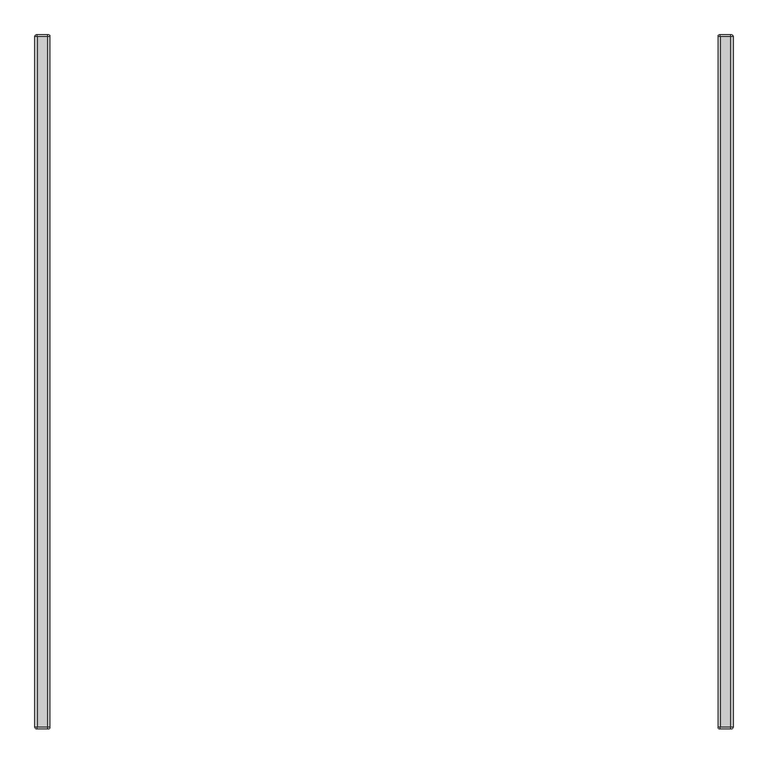
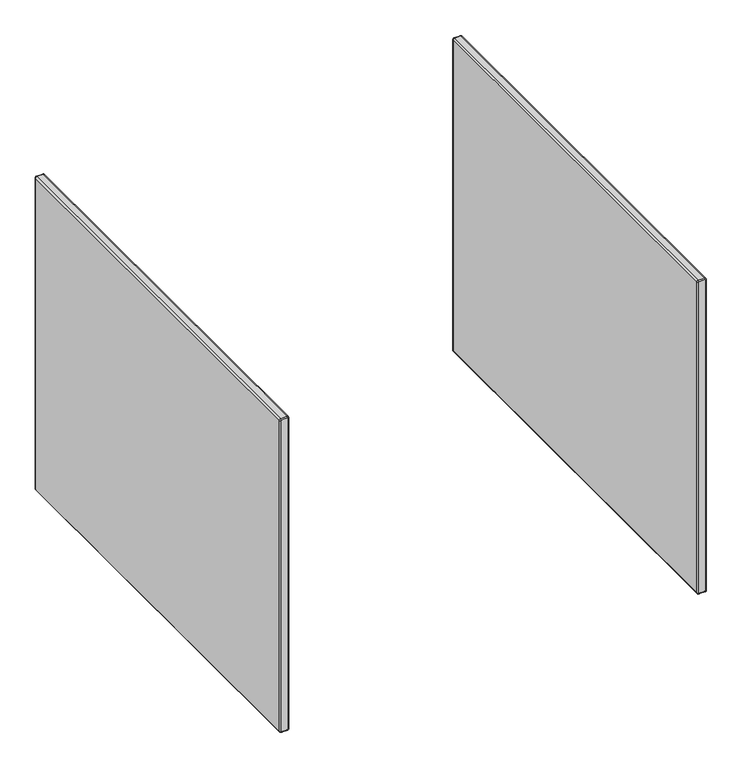
"""IFC4 building model written with IfcOpenShell, lengths in millimetres: furniture geometry."""

from ifc_helpers import new_model, si_unit, point, frame, origin, place, context, project, spatial, circle_curve, ellipse_curve, trimmed, source, transform, mapped, element, save
from ifc_brep_helpers import plane_surface, cylinder_surface, revolved_surface, advanced_brep


def furniture_b7c9a870(model_context):
    return source(origin(), model_context, "Body", "AdvancedBrep", [
        advanced_brep(
        [(34.5968799, -2.2152498, 1456.0312321), (36.5812549, -2.2152498, 1454.0468571), (36.5812549, -2.2152498, 5.953125), (34.5968799, -2.2152498, 3.96875), (6.0495593, -2.2152498, 3.96875), (4.01875, -2.2152498, 5.9995593), (4.01875, -2.2152498, 1454.0468571), (6.003125, -2.2152498, 1456.0312321), (40.5500049, -6.1839998, 1454.0468571), (34.5968799, -6.1839998, 1459.9999821), (6.003125, -6.1839998, 1459.9999821), (0.05, -6.1839998, 1454.0468571), (0.05, -6.1839998, 5.9995593), (6.0495593, -6.1839998, 0.0), (34.5968799, -6.1839998, 0.0), (40.5500049, -6.1839998, 5.953125), (36.5812549, -1870.15266, 1454.0468571), (40.5500049, -1866.18391, 1454.0468571), (34.5968799, -1866.18391, 1459.9999821), (34.5968799, -1870.15266, 1456.0312321), (6.003125, -1866.18391, 1459.9999821), (6.003125, -1870.15266, 1456.0312321), (0.05, -1866.18391, 1454.0468571), (4.01875, -1870.15266, 1454.0468571), (0.05, -1866.18391, 5.9995593), (4.01875, -1870.15266, 5.9995593), (6.0495593, -1866.18391, 0.0), (6.0495593, -1870.15266, 3.96875), (34.5968799, -1866.18391, 0.0), (34.5968799, -1870.15266, 3.96875), (40.5500049, -1866.18391, 5.953125), (36.5812549, -1870.15266, 5.953125)],
        [
            (0, 1, circle_curve(frame((34.5968799, -2.2152498, 1454.0468571), z_axis=(0.0, 1.0, 0.0), x_axis=(1.0, 0.0, 0.0)), 1.984375)),
            (1, 2),
            (2, 3, circle_curve(frame((34.5968799, -2.2152498, 5.953125), z_axis=(0.0, 1.0, 0.0), x_axis=(0.0, 0.0, -1.0)), 1.984375)),
            (3, 4),
            (4, 5, circle_curve(frame((6.0495593, -2.2152498, 5.9995593), z_axis=(0.0, 1.0, 0.0), x_axis=(-1.0, 0.0, 0.0)), 2.0308093)),
            (5, 6),
            (6, 7, circle_curve(frame((6.003125, -2.2152498, 1454.0468571), z_axis=(0.0, 1.0, 0.0), x_axis=(0.0, 0.0, 1.0)), 1.984375)),
            (7, 0),
            (8, 1, circle_curve(frame((36.5812549, -6.1839998, 1454.0468571), z_axis=(0.0, 0.0, 1.0), x_axis=(-1.0, 0.0, 0.0)), 3.96875)),
            (0, 9, circle_curve(frame((34.5968799, -6.1839998, 1456.0312321), z_axis=(1.0, 0.0, 0.0), x_axis=(0.0, 0.0, -1.0)), 3.96875)),
            (9, 8, circle_curve(frame((34.5968799, -6.1839998, 1454.0468571), z_axis=(0.0, 1.0, 0.0), x_axis=(1.0, 0.0, 0.0)), 5.953125)),
            (7, 10, circle_curve(frame((6.003125, -6.1839998, 1456.0312321), z_axis=(1.0, 0.0, 0.0), x_axis=(0.0, 0.0, -1.0)), 3.96875)),
            (10, 9),
            (6, 11, circle_curve(frame((4.01875, -6.1839998, 1454.0468571), z_axis=(0.0, 0.0, 1.0), x_axis=(1.0, 0.0, 0.0)), 3.96875)),
            (11, 10, circle_curve(frame((6.003125, -6.1839998, 1454.0468571), z_axis=(0.0, 1.0, 0.0), x_axis=(0.0, 0.0, 1.0)), 5.953125)),
            (5, 12, circle_curve(frame((4.01875, -6.1839998, 5.9995593), z_axis=(0.0, 0.0, 1.0), x_axis=(1.0, 0.0, 0.0)), 3.96875)),
            (12, 11),
            (4, 13, circle_curve(frame((6.0495593, -6.1839998, 3.96875), z_axis=(-1.0, 0.0, 0.0), x_axis=(0.0, 0.0, 1.0)), 3.96875)),
            (13, 12, circle_curve(frame((6.0495593, -6.1839998, 5.9995593), z_axis=(0.0, 1.0, 0.0), x_axis=(-1.0, 0.0, 0.0)), 5.9995593)),
            (3, 14, circle_curve(frame((34.5968799, -6.1839998, 3.96875), z_axis=(-1.0, 0.0, 0.0), x_axis=(0.0, 0.0, 1.0)), 3.96875)),
            (14, 13),
            (2, 15, circle_curve(frame((36.5812549, -6.1839998, 5.953125), z_axis=(0.0, 0.0, -1.0), x_axis=(-1.0, 0.0, 0.0)), 3.96875)),
            (15, 14, circle_curve(frame((34.5968799, -6.1839998, 5.953125), z_axis=(0.0, 1.0, 0.0), x_axis=(0.0, 0.0, -1.0)), 5.953125)),
            (8, 15),
            (16, 17, circle_curve(frame((36.5812549, -1866.18391, 1454.0468571), z_axis=(0.0, 0.0, 1.0), x_axis=(-1.0, 0.0, 0.0)), 3.96875)),
            (17, 18, circle_curve(frame((34.5968799, -1866.18391, 1454.0468571), z_axis=(0.0, -1.0, 0.0), x_axis=(1.0, 0.0, 0.0)), 5.953125)),
            (18, 19, circle_curve(frame((34.5968799, -1866.18391, 1456.0312321), z_axis=(1.0, 0.0, 0.0), x_axis=(0.0, 0.0, -1.0)), 3.96875)),
            (19, 16, circle_curve(frame((34.5968799, -1870.15266, 1454.0468571), z_axis=(0.0, 1.0, 0.0), x_axis=(1.0, 0.0, 0.0)), 1.984375)),
            (18, 20),
            (20, 21, circle_curve(frame((6.003125, -1866.18391, 1456.0312321), z_axis=(1.0, 0.0, 0.0), x_axis=(0.0, 0.0, -1.0)), 3.96875)),
            (21, 19),
            (20, 22, circle_curve(frame((6.003125, -1866.18391, 1454.0468571), z_axis=(0.0, -1.0, 0.0), x_axis=(0.0, 0.0, 1.0)), 5.953125)),
            (22, 23, circle_curve(frame((4.01875, -1866.18391, 1454.0468571), z_axis=(0.0, 0.0, 1.0), x_axis=(1.0, 0.0, 0.0)), 3.96875)),
            (23, 21, circle_curve(frame((6.003125, -1870.15266, 1454.0468571), z_axis=(0.0, 1.0, 0.0), x_axis=(0.0, 0.0, 1.0)), 1.984375)),
            (22, 24),
            (24, 25, circle_curve(frame((4.01875, -1866.18391, 5.9995593), z_axis=(0.0, 0.0, 1.0), x_axis=(1.0, 0.0, 0.0)), 3.96875)),
            (25, 23),
            (24, 26, circle_curve(frame((6.0495593, -1866.18391, 5.9995593), z_axis=(0.0, -1.0, 0.0), x_axis=(-1.0, 0.0, 0.0)), 5.9995593)),
            (26, 27, circle_curve(frame((6.0495593, -1866.18391, 3.96875), z_axis=(-1.0, 0.0, 0.0), x_axis=(0.0, 0.0, 1.0)), 3.96875)),
            (27, 25, circle_curve(frame((6.0495593, -1870.15266, 5.9995593), z_axis=(0.0, 1.0, 0.0), x_axis=(-1.0, 0.0, 0.0)), 2.0308093)),
            (26, 28),
            (28, 29, circle_curve(frame((34.5968799, -1866.18391, 3.96875), z_axis=(-1.0, 0.0, 0.0), x_axis=(0.0, 0.0, 1.0)), 3.96875)),
            (29, 27),
            (28, 30, circle_curve(frame((34.5968799, -1866.18391, 5.953125), z_axis=(0.0, -1.0, 0.0), x_axis=(0.0, 0.0, -1.0)), 5.953125)),
            (30, 31, circle_curve(frame((36.5812549, -1866.18391, 5.953125), z_axis=(0.0, 0.0, -1.0), x_axis=(-1.0, 0.0, 0.0)), 3.96875)),
            (31, 29, circle_curve(frame((34.5968799, -1870.15266, 5.953125), z_axis=(0.0, 1.0, 0.0), x_axis=(0.0, 0.0, -1.0)), 1.984375)),
            (16, 31),
            (30, 17),
            (20, 10),
            (11, 22),
            (12, 24),
            (13, 26),
            (14, 28),
            (15, 30),
            (8, 17),
            (9, 18),
        ],
        [
            plane_surface(frame((4.01875, -2.2152498, 5.9995593), z_axis=(0.0, 1.0, 0.0), x_axis=(0.0, 0.0, 1.0))),
            revolved_surface(trimmed(ellipse_curve(frame((36.5812549, -6.1839998, 1454.0468571), z_axis=(0.0, 0.0, -1.0), x_axis=(-1.0, 0.0, 0.0)), 3.96875, 3.96875), [point((36.5812549, -2.2152498, 1454.0468571))], [point((40.5500049, -6.1839998, 1454.0468571))], True, "CARTESIAN"), (34.5968799, -6.1839998, 1454.0468571), (0.0, -1.0, 0.0)),
            cylinder_surface(frame((34.5968799, -6.1839998, 1456.0312321), z_axis=(1.0, 0.0, 0.0), x_axis=(0.0, 0.0, -1.0)), 3.96875),
            revolved_surface(trimmed(ellipse_curve(frame((6.003125, -6.1839998, 1456.0312321), z_axis=(1.0, 0.0, 0.0), x_axis=(0.0, 0.0, -1.0)), 3.96875, 3.96875), [point((6.003125, -2.2152498, 1456.0312321))], [point((6.003125, -6.1839998, 1459.9999821))], True, "CARTESIAN"), (6.003125, -6.1839998, 1454.0468571), (0.0, -1.0, 0.0)),
            cylinder_surface(frame((4.01875, -6.1839998, 1454.0468571), z_axis=(0.0, 0.0, 1.0), x_axis=(1.0, 0.0, 0.0)), 3.96875),
            revolved_surface(trimmed(ellipse_curve(frame((4.01875, -6.1839998, 5.9995593), z_axis=(0.0, 0.0, 1.0), x_axis=(1.0, 0.0, 0.0)), 3.96875, 3.96875), [point((4.01875, -2.2152498, 5.9995593))], [point((0.05, -6.1839998, 5.9995593))], True, "CARTESIAN"), (6.0495593, -6.1839998, 5.9995593), (0.0, -1.0, 0.0)),
            cylinder_surface(frame((6.0495593, -6.1839998, 3.96875), z_axis=(-1.0, 0.0, 0.0), x_axis=(0.0, 0.0, 1.0)), 3.96875),
            revolved_surface(trimmed(ellipse_curve(frame((34.5968799, -6.1839998, 3.96875), z_axis=(-1.0, 0.0, 0.0), x_axis=(0.0, 0.0, 1.0)), 3.96875, 3.96875), [point((34.5968799, -2.2152498, 3.96875))], [point((34.5968799, -6.1839998, 0.0))], True, "CARTESIAN"), (34.5968799, -6.1839998, 5.953125), (0.0, -1.0, 0.0)),
            cylinder_surface(frame((36.5812549, -6.1839998, 5.953125), z_axis=(0.0, 0.0, -1.0), x_axis=(-1.0, 0.0, 0.0)), 3.96875),
            revolved_surface(trimmed(ellipse_curve(frame((36.5812549, -1866.18391, 1454.0468571), z_axis=(0.0, 0.0, -1.0), x_axis=(-1.0, 0.0, 0.0)), 3.96875, 3.96875), [point((40.5500049, -1866.18391, 1454.0468571))], [point((36.5812549, -1870.15266, 1454.0468571))], True, "CARTESIAN"), (34.5968799, -1866.18391, 1454.0468571), (0.0, -1.0, 0.0)),
            cylinder_surface(frame((34.5968799, -1866.18391, 1456.0312321), z_axis=(1.0, 0.0, 0.0), x_axis=(0.0, 0.0, -1.0)), 3.96875),
            revolved_surface(trimmed(ellipse_curve(frame((6.003125, -1866.18391, 1456.0312321), z_axis=(1.0, 0.0, 0.0), x_axis=(0.0, 0.0, -1.0)), 3.96875, 3.96875), [point((6.003125, -1866.18391, 1459.9999821))], [point((6.003125, -1870.15266, 1456.0312321))], True, "CARTESIAN"), (6.003125, -1866.18391, 1454.0468571), (0.0, -1.0, 0.0)),
            cylinder_surface(frame((4.01875, -1866.18391, 1454.0468571), z_axis=(0.0, 0.0, 1.0), x_axis=(1.0, 0.0, 0.0)), 3.96875),
            revolved_surface(trimmed(ellipse_curve(frame((4.01875, -1866.18391, 5.9995593), z_axis=(0.0, 0.0, 1.0), x_axis=(1.0, 0.0, 0.0)), 3.96875, 3.96875), [point((0.05, -1866.18391, 5.9995593))], [point((4.01875, -1870.15266, 5.9995593))], True, "CARTESIAN"), (6.0495593, -1866.18391, 5.9995593), (0.0, -1.0, 0.0)),
            cylinder_surface(frame((6.0495593, -1866.18391, 3.96875), z_axis=(-1.0, 0.0, 0.0), x_axis=(0.0, 0.0, 1.0)), 3.96875),
            revolved_surface(trimmed(ellipse_curve(frame((34.5968799, -1866.18391, 3.96875), z_axis=(-1.0, 0.0, 0.0), x_axis=(0.0, 0.0, 1.0)), 3.96875, 3.96875), [point((34.5968799, -1866.18391, 0.0))], [point((34.5968799, -1870.15266, 3.96875))], True, "CARTESIAN"), (34.5968799, -1866.18391, 5.953125), (0.0, -1.0, 0.0)),
            cylinder_surface(frame((36.5812549, -1866.18391, 5.953125), z_axis=(0.0, 0.0, -1.0), x_axis=(-1.0, 0.0, 0.0)), 3.96875),
            cylinder_surface(frame((6.003125, -6.1839998, 1454.0468571), z_axis=(0.0, -1.0, 0.0), x_axis=(1.0, 0.0, 0.0)), 5.953125),
            plane_surface(frame((0.05, -1866.18391, 1454.0468571), z_axis=(-1.0, 0.0, 0.0), x_axis=(0.0, 1.0, 0.0))),
            cylinder_surface(frame((6.0495593, -6.1839998, 5.9995593), z_axis=(0.0, -1.0, 0.0), x_axis=(1.0, 0.0, 0.0)), 5.9995593),
            plane_surface(frame((6.0495593, -1866.18391, 0.0), z_axis=(0.0, 0.0, -1.0), x_axis=(0.0, 1.0, 0.0))),
            cylinder_surface(frame((34.5968799, -6.1839998, 5.953125), z_axis=(0.0, -1.0, 0.0), x_axis=(1.0, 0.0, 0.0)), 5.953125),
            plane_surface(frame((40.5500049, -1866.18391, 5.953125), z_axis=(1.0, 0.0, 0.0), x_axis=(0.0, 1.0, 0.0))),
            cylinder_surface(frame((34.5968799, -6.1839998, 1454.0468571), z_axis=(0.0, -1.0, 0.0), x_axis=(1.0, 0.0, 0.0)), 5.953125),
            plane_surface(frame((34.5968799, -1866.18391, 1459.9999821), z_axis=(0.0, 0.0, 1.0), x_axis=(0.0, 1.0, 0.0))),
            plane_surface(frame((4.01875, -1870.15266, 5.9995593), z_axis=(0.0, -1.0, 0.0), x_axis=(0.0, 0.0, -1.0))),
        ],
        [
            (0, [[1, 2, 3, 4, 5, 6, 7, 8]]),
            (1, [[9, -1, 10, 11]]),
            (2, [[-10, -8, 12, 13]]),
            (3, [[-12, -7, 14, 15]]),
            (4, [[-14, -6, 16, 17]]),
            (5, [[-16, -5, 18, 19]]),
            (6, [[-18, -4, 20, 21]]),
            (7, [[-20, -3, 22, 23]]),
            (8, [[-9, 24, -22, -2]]),
            (9, [[25, 26, 27, 28]]),
            (10, [[-27, 29, 30, 31]]),
            (11, [[-30, 32, 33, 34]]),
            (12, [[-33, 35, 36, 37]]),
            (13, [[-36, 38, 39, 40]]),
            (14, [[-39, 41, 42, 43]]),
            (15, [[-42, 44, 45, 46]]),
            (16, [[-25, 47, -45, 48]]),
            (17, [[49, -15, 50, -32]]),
            (18, [[-50, -17, 51, -35]]),
            (19, [[-51, -19, 52, -38]]),
            (20, [[-52, -21, 53, -41]]),
            (21, [[-53, -23, 54, -44]]),
            (22, [[-54, -24, 55, -48]]),
            (23, [[-55, -11, 56, -26]]),
            (24, [[-49, -29, -56, -13]]),
            (25, [[-28, -31, -34, -37, -40, -43, -46, -47]]),
        ],
    ),
        advanced_brep(
        [(1875.9813255, -1870.15266, 1454.0468571), (1879.9500755, -1866.18391, 1454.0468571), (1873.9969505, -1866.18391, 1459.9999821), (1873.9969505, -1870.15266, 1456.0312321), (1845.4031956, -1866.18391, 1459.9999821), (1845.4031956, -1870.15266, 1456.0312321), (1839.4500706, -1866.18391, 1454.0468571), (1843.4188206, -1870.15266, 1454.0468571), (1839.4500706, -1866.18391, 5.9995593), (1843.4188206, -1870.15266, 5.9995593), (1845.4496299, -1866.18391, 0.0), (1845.4496299, -1870.15266, 3.96875), (1873.9969505, -1866.18391, 0.0), (1873.9969505, -1870.15266, 3.96875), (1879.9500755, -1866.18391, 5.953125), (1875.9813255, -1870.15266, 5.953125), (1879.9500755, -6.1839998, 1454.0468571), (1875.9813255, -2.2152498, 1454.0468571), (1873.9969505, -2.2152498, 1456.0312321), (1873.9969505, -6.1839998, 1459.9999821), (1845.4031956, -2.2152498, 1456.0312321), (1845.4031956, -6.1839998, 1459.9999821), (1843.4188206, -2.2152498, 1454.0468571), (1839.4500706, -6.1839998, 1454.0468571), (1843.4188206, -2.2152498, 5.9995593), (1839.4500706, -6.1839998, 5.9995593), (1845.4496299, -2.2152498, 3.96875), (1845.4496299, -6.1839998, 0.0), (1873.9969505, -2.2152498, 3.96875), (1873.9969505, -6.1839998, 0.0), (1875.9813255, -2.2152498, 5.953125), (1879.9500755, -6.1839998, 5.953125)],
        [
            (0, 1, circle_curve(frame((1875.9813255, -1866.18391, 1454.0468571), z_axis=(0.0, 0.0, 1.0), x_axis=(-1.0, 0.0, 0.0)), 3.96875)),
            (1, 2, circle_curve(frame((1873.9969505, -1866.18391, 1454.0468571), z_axis=(0.0, -1.0, 0.0), x_axis=(1.0, 0.0, 0.0)), 5.953125)),
            (2, 3, circle_curve(frame((1873.9969505, -1866.18391, 1456.0312321), z_axis=(1.0, 0.0, 0.0), x_axis=(0.0, 0.0, -1.0)), 3.96875)),
            (3, 0, circle_curve(frame((1873.9969505, -1870.15266, 1454.0468571), z_axis=(0.0, 1.0, 0.0), x_axis=(1.0, 0.0, 0.0)), 1.984375)),
            (2, 4),
            (4, 5, circle_curve(frame((1845.4031956, -1866.18391, 1456.0312321), z_axis=(1.0, 0.0, 0.0), x_axis=(0.0, 0.0, -1.0)), 3.96875)),
            (5, 3),
            (4, 6, circle_curve(frame((1845.4031956, -1866.18391, 1454.0468571), z_axis=(0.0, -1.0, 0.0), x_axis=(0.0, 0.0, 1.0)), 5.953125)),
            (6, 7, circle_curve(frame((1843.4188206, -1866.18391, 1454.0468571), z_axis=(0.0, 0.0, 1.0), x_axis=(1.0, 0.0, 0.0)), 3.96875)),
            (7, 5, circle_curve(frame((1845.4031956, -1870.15266, 1454.0468571), z_axis=(0.0, 1.0, 0.0), x_axis=(0.0, 0.0, 1.0)), 1.984375)),
            (6, 8),
            (8, 9, circle_curve(frame((1843.4188206, -1866.18391, 5.9995593), z_axis=(0.0, 0.0, 1.0), x_axis=(1.0, 0.0, 0.0)), 3.96875)),
            (9, 7),
            (8, 10, circle_curve(frame((1845.4496299, -1866.18391, 5.9995593), z_axis=(0.0, -1.0, 0.0), x_axis=(-1.0, 0.0, 0.0)), 5.9995593)),
            (10, 11, circle_curve(frame((1845.4496299, -1866.18391, 3.96875), z_axis=(-1.0, 0.0, 0.0), x_axis=(0.0, 0.0, 1.0)), 3.96875)),
            (11, 9, circle_curve(frame((1845.4496299, -1870.15266, 5.9995593), z_axis=(0.0, 1.0, 0.0), x_axis=(-1.0, 0.0, 0.0)), 2.0308093)),
            (10, 12),
            (12, 13, circle_curve(frame((1873.9969505, -1866.18391, 3.96875), z_axis=(-1.0, 0.0, 0.0), x_axis=(0.0, 0.0, 1.0)), 3.96875)),
            (13, 11),
            (12, 14, circle_curve(frame((1873.9969505, -1866.18391, 5.953125), z_axis=(0.0, -1.0, 0.0), x_axis=(0.0, 0.0, -1.0)), 5.953125)),
            (14, 15, circle_curve(frame((1875.9813255, -1866.18391, 5.953125), z_axis=(0.0, 0.0, -1.0), x_axis=(-1.0, 0.0, 0.0)), 3.96875)),
            (15, 13, circle_curve(frame((1873.9969505, -1870.15266, 5.953125), z_axis=(0.0, 1.0, 0.0), x_axis=(0.0, 0.0, -1.0)), 1.984375)),
            (0, 15),
            (14, 1),
            (16, 17, circle_curve(frame((1875.9813255, -6.1839998, 1454.0468571), z_axis=(0.0, 0.0, 1.0), x_axis=(-1.0, 0.0, 0.0)), 3.96875)),
            (17, 18, circle_curve(frame((1873.9969505, -2.2152498, 1454.0468571), z_axis=(0.0, -1.0, 0.0), x_axis=(1.0, 0.0, 0.0)), 1.984375)),
            (18, 19, circle_curve(frame((1873.9969505, -6.1839998, 1456.0312321), z_axis=(1.0, 0.0, 0.0), x_axis=(0.0, 0.0, -1.0)), 3.96875)),
            (19, 16, circle_curve(frame((1873.9969505, -6.1839998, 1454.0468571), z_axis=(0.0, 1.0, 0.0), x_axis=(1.0, 0.0, 0.0)), 5.953125)),
            (18, 20),
            (20, 21, circle_curve(frame((1845.4031956, -6.1839998, 1456.0312321), z_axis=(1.0, 0.0, 0.0), x_axis=(0.0, 0.0, -1.0)), 3.96875)),
            (21, 19),
            (20, 22, circle_curve(frame((1845.4031956, -2.2152498, 1454.0468571), z_axis=(0.0, -1.0, 0.0), x_axis=(0.0, 0.0, 1.0)), 1.984375)),
            (22, 23, circle_curve(frame((1843.4188206, -6.1839998, 1454.0468571), z_axis=(0.0, 0.0, 1.0), x_axis=(1.0, 0.0, 0.0)), 3.96875)),
            (23, 21, circle_curve(frame((1845.4031956, -6.1839998, 1454.0468571), z_axis=(0.0, 1.0, 0.0), x_axis=(0.0, 0.0, 1.0)), 5.953125)),
            (22, 24),
            (24, 25, circle_curve(frame((1843.4188206, -6.1839998, 5.9995593), z_axis=(0.0, 0.0, 1.0), x_axis=(1.0, 0.0, 0.0)), 3.96875)),
            (25, 23),
            (24, 26, circle_curve(frame((1845.4496299, -2.2152498, 5.9995593), z_axis=(0.0, -1.0, 0.0), x_axis=(-1.0, 0.0, 0.0)), 2.0308093)),
            (26, 27, circle_curve(frame((1845.4496299, -6.1839998, 3.96875), z_axis=(-1.0, 0.0, 0.0), x_axis=(0.0, 0.0, 1.0)), 3.96875)),
            (27, 25, circle_curve(frame((1845.4496299, -6.1839998, 5.9995593), z_axis=(0.0, 1.0, 0.0), x_axis=(-1.0, 0.0, 0.0)), 5.9995593)),
            (26, 28),
            (28, 29, circle_curve(frame((1873.9969505, -6.1839998, 3.96875), z_axis=(-1.0, 0.0, 0.0), x_axis=(0.0, 0.0, 1.0)), 3.96875)),
            (29, 27),
            (28, 30, circle_curve(frame((1873.9969505, -2.2152498, 5.953125), z_axis=(0.0, -1.0, 0.0), x_axis=(0.0, 0.0, -1.0)), 1.984375)),
            (30, 31, circle_curve(frame((1875.9813255, -6.1839998, 5.953125), z_axis=(0.0, 0.0, -1.0), x_axis=(-1.0, 0.0, 0.0)), 3.96875)),
            (31, 29, circle_curve(frame((1873.9969505, -6.1839998, 5.953125), z_axis=(0.0, 1.0, 0.0), x_axis=(0.0, 0.0, -1.0)), 5.953125)),
            (16, 31),
            (30, 17),
            (4, 21),
            (23, 6),
            (25, 8),
            (27, 10),
            (29, 12),
            (31, 14),
            (16, 1),
            (19, 2),
        ],
        [
            revolved_surface(trimmed(ellipse_curve(frame((1875.9813255, -1866.18391, 1454.0468571), z_axis=(0.0, 0.0, -1.0), x_axis=(-1.0, 0.0, 0.0)), 3.96875, 3.96875), [point((1879.9500755, -1866.18391, 1454.0468571))], [point((1875.9813255, -1870.15266, 1454.0468571))], True, "CARTESIAN"), (1873.9969505, -1866.18391, 1454.0468571), (0.0, -1.0, 0.0)),
            cylinder_surface(frame((1873.9969505, -1866.18391, 1456.0312321), z_axis=(1.0, 0.0, 0.0), x_axis=(0.0, 0.0, -1.0)), 3.96875),
            revolved_surface(trimmed(ellipse_curve(frame((1845.4031956, -1866.18391, 1456.0312321), z_axis=(1.0, 0.0, 0.0), x_axis=(0.0, 0.0, -1.0)), 3.96875, 3.96875), [point((1845.4031956, -1866.18391, 1459.9999821))], [point((1845.4031956, -1870.15266, 1456.0312321))], True, "CARTESIAN"), (1845.4031956, -1866.18391, 1454.0468571), (0.0, -1.0, 0.0)),
            cylinder_surface(frame((1843.4188206, -1866.18391, 1454.0468571), z_axis=(0.0, 0.0, 1.0), x_axis=(1.0, 0.0, 0.0)), 3.96875),
            revolved_surface(trimmed(ellipse_curve(frame((1843.4188206, -1866.18391, 5.9995593), z_axis=(0.0, 0.0, 1.0), x_axis=(1.0, 0.0, 0.0)), 3.96875, 3.96875), [point((1839.4500706, -1866.18391, 5.9995593))], [point((1843.4188206, -1870.15266, 5.9995593))], True, "CARTESIAN"), (1845.4496299, -1866.18391, 5.9995593), (0.0, -1.0, 0.0)),
            cylinder_surface(frame((1845.4496299, -1866.18391, 3.96875), z_axis=(-1.0, 0.0, 0.0), x_axis=(0.0, 0.0, 1.0)), 3.96875),
            revolved_surface(trimmed(ellipse_curve(frame((1873.9969505, -1866.18391, 3.96875), z_axis=(-1.0, 0.0, 0.0), x_axis=(0.0, 0.0, 1.0)), 3.96875, 3.96875), [point((1873.9969505, -1866.18391, 0.0))], [point((1873.9969505, -1870.15266, 3.96875))], True, "CARTESIAN"), (1873.9969505, -1866.18391, 5.953125), (0.0, -1.0, 0.0)),
            cylinder_surface(frame((1875.9813255, -1866.18391, 5.953125), z_axis=(0.0, 0.0, -1.0), x_axis=(-1.0, 0.0, 0.0)), 3.96875),
            plane_surface(frame((1843.4188206, -1870.15266, 5.9995593), z_axis=(0.0, -1.0, 0.0), x_axis=(0.0, 0.0, -1.0))),
            revolved_surface(trimmed(ellipse_curve(frame((1875.9813255, -6.1839998, 1454.0468571), z_axis=(0.0, 0.0, -1.0), x_axis=(-1.0, 0.0, 0.0)), 3.96875, 3.96875), [point((1875.9813255, -2.2152498, 1454.0468571))], [point((1879.9500755, -6.1839998, 1454.0468571))], True, "CARTESIAN"), (1873.9969505, -6.1839998, 1454.0468571), (0.0, -1.0, 0.0)),
            cylinder_surface(frame((1873.9969505, -6.1839998, 1456.0312321), z_axis=(1.0, 0.0, 0.0), x_axis=(0.0, 0.0, -1.0)), 3.96875),
            revolved_surface(trimmed(ellipse_curve(frame((1845.4031956, -6.1839998, 1456.0312321), z_axis=(1.0, 0.0, 0.0), x_axis=(0.0, 0.0, -1.0)), 3.96875, 3.96875), [point((1845.4031956, -2.2152498, 1456.0312321))], [point((1845.4031956, -6.1839998, 1459.9999821))], True, "CARTESIAN"), (1845.4031956, -6.1839998, 1454.0468571), (0.0, -1.0, 0.0)),
            cylinder_surface(frame((1843.4188206, -6.1839998, 1454.0468571), z_axis=(0.0, 0.0, 1.0), x_axis=(1.0, 0.0, 0.0)), 3.96875),
            revolved_surface(trimmed(ellipse_curve(frame((1843.4188206, -6.1839998, 5.9995593), z_axis=(0.0, 0.0, 1.0), x_axis=(1.0, 0.0, 0.0)), 3.96875, 3.96875), [point((1843.4188206, -2.2152498, 5.9995593))], [point((1839.4500706, -6.1839998, 5.9995593))], True, "CARTESIAN"), (1845.4496299, -6.1839998, 5.9995593), (0.0, -1.0, 0.0)),
            cylinder_surface(frame((1845.4496299, -6.1839998, 3.96875), z_axis=(-1.0, 0.0, 0.0), x_axis=(0.0, 0.0, 1.0)), 3.96875),
            revolved_surface(trimmed(ellipse_curve(frame((1873.9969505, -6.1839998, 3.96875), z_axis=(-1.0, 0.0, 0.0), x_axis=(0.0, 0.0, 1.0)), 3.96875, 3.96875), [point((1873.9969505, -2.2152498, 3.96875))], [point((1873.9969505, -6.1839998, 0.0))], True, "CARTESIAN"), (1873.9969505, -6.1839998, 5.953125), (0.0, -1.0, 0.0)),
            cylinder_surface(frame((1875.9813255, -6.1839998, 5.953125), z_axis=(0.0, 0.0, -1.0), x_axis=(-1.0, 0.0, 0.0)), 3.96875),
            plane_surface(frame((1843.4188206, -2.2152498, 5.9995593), z_axis=(0.0, 1.0, 0.0), x_axis=(0.0, 0.0, 1.0))),
            cylinder_surface(frame((1845.4031956, 0.0, 1454.0468571), z_axis=(0.0, -1.0, 0.0), x_axis=(1.0, 0.0, 0.0)), 5.953125),
            plane_surface(frame((1839.4500706, -1866.18391, 1454.0468571), z_axis=(-1.0, 0.0, 0.0), x_axis=(0.0, 1.0, 0.0))),
            cylinder_surface(frame((1845.4496299, 0.0, 5.9995593), z_axis=(0.0, -1.0, 0.0), x_axis=(1.0, 0.0, 0.0)), 5.9995593),
            plane_surface(frame((1845.4496299, -1866.18391, 0.0), z_axis=(0.0, 0.0, -1.0), x_axis=(0.0, 1.0, 0.0))),
            cylinder_surface(frame((1873.9969505, 0.0, 5.953125), z_axis=(0.0, -1.0, 0.0), x_axis=(1.0, 0.0, 0.0)), 5.953125),
            plane_surface(frame((1879.9500755, -1866.18391, 5.953125), z_axis=(1.0, 0.0, 0.0), x_axis=(0.0, 1.0, 0.0))),
            cylinder_surface(frame((1873.9969505, 0.0, 1454.0468571), z_axis=(0.0, -1.0, 0.0), x_axis=(1.0, 0.0, 0.0)), 5.953125),
            plane_surface(frame((1873.9969505, -1866.18391, 1459.9999821), z_axis=(0.0, 0.0, 1.0), x_axis=(0.0, 1.0, 0.0))),
        ],
        [
            (0, [[1, 2, 3, 4]]),
            (1, [[-3, 5, 6, 7]]),
            (2, [[-6, 8, 9, 10]]),
            (3, [[-9, 11, 12, 13]]),
            (4, [[-12, 14, 15, 16]]),
            (5, [[-15, 17, 18, 19]]),
            (6, [[-18, 20, 21, 22]]),
            (7, [[-1, 23, -21, 24]]),
            (8, [[-4, -7, -10, -13, -16, -19, -22, -23]]),
            (9, [[25, 26, 27, 28]]),
            (10, [[-27, 29, 30, 31]]),
            (11, [[-30, 32, 33, 34]]),
            (12, [[-33, 35, 36, 37]]),
            (13, [[-36, 38, 39, 40]]),
            (14, [[-39, 41, 42, 43]]),
            (15, [[-42, 44, 45, 46]]),
            (16, [[-25, 47, -45, 48]]),
            (17, [[-26, -48, -44, -41, -38, -35, -32, -29]]),
            (18, [[49, -34, 50, -8]]),
            (19, [[-50, -37, 51, -11]]),
            (20, [[-51, -40, 52, -14]]),
            (21, [[-52, -43, 53, -17]]),
            (22, [[-53, -46, 54, -20]]),
            (23, [[-54, -47, 55, -24]]),
            (24, [[-55, -28, 56, -2]]),
            (25, [[-49, -5, -56, -31]]),
        ],
    ),
    ])


if __name__ == "__main__":
    model = new_model("IFC4")
    model_context = context("Model", 3, world=origin())
    ifc_project = project(units=[si_unit("LENGTHUNIT", "METRE", prefix="MILLI")], contexts=[model_context])
    site = spatial("IfcSite", under=ifc_project)
    building = spatial("IfcBuilding", under=site)
    placement = place(None, origin())
    furniture_shape = furniture_b7c9a870(model_context)
    element("IfcFurniture", 1, at=placement, inside=building, context=model_context, shape_type="MappedRepresentation", body=[
        mapped(furniture_shape, transform((0.0, 0.0, 0.0), x_axis=(1.0, 0.0, 0.0), y_axis=(0.0, 1.0, 0.0), z_axis=(0.0, 0.0, 1.0))),
    ])
    save(model, "model.ifc")
